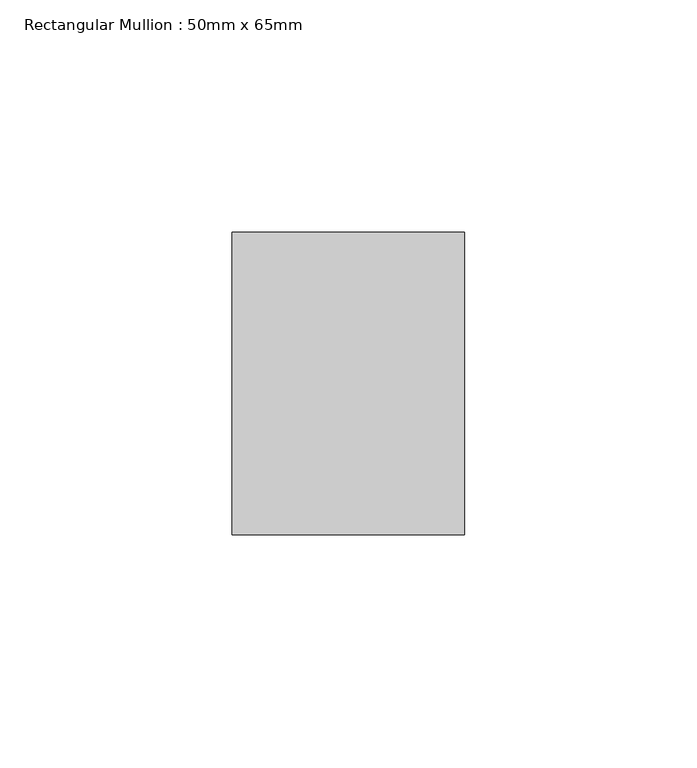
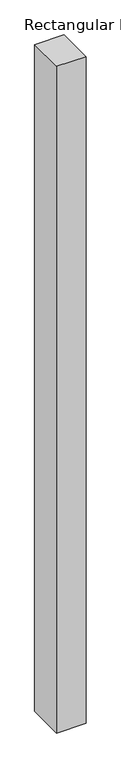
"""IFC4 building model written with IfcOpenShell, lengths in millimetres: member geometry, Rectangular Mullion : 50mm x 65mm."""

from ifc_helpers import new_model, si_unit, frame, origin, place, context, project, spatial, polyline, outline, extrude, source, transform, mapped, element, save


def rectangular_mullion_50mm_x_65mm_e2c6d646(model_context):
    return source(origin(), model_context, "Body", "SweptSolid", [
        extrude(outline(polyline([(25.0, 32.5), (25.0, -32.5), (-25.0, -32.5), (-25.0, 32.5), (25.0, 32.5)])), frame((0.0, 0.0, -1205.1795682), z_axis=(0.0, 0.0, 1.0), x_axis=(1.0, 0.0, 0.0)), (0.0, 0.0, 1.0), 1205.1795682),
    ])


if __name__ == "__main__":
    model = new_model("IFC4")
    model_context = context("Model", 3, world=origin())
    ifc_project = project(units=[si_unit("LENGTHUNIT", "METRE", prefix="MILLI")], contexts=[model_context])
    site = spatial("IfcSite", under=ifc_project)
    building = spatial("IfcBuilding", under=site)
    placement = place(None, origin())
    rectangular_mullion_50mm_x_65mm_shape = rectangular_mullion_50mm_x_65mm_e2c6d646(model_context)
    element("IfcMember", 1, ObjectType="Rectangular Mullion : 50mm x 65mm", at=placement, inside=building, context=model_context, shape_type="MappedRepresentation", body=[
        mapped(rectangular_mullion_50mm_x_65mm_shape, transform((0.0, 0.0, 0.0), x_axis=(1.0, 0.0, 0.0), y_axis=(0.0, 1.0, 0.0), z_axis=(0.0, 0.0, 1.0))),
    ])
    save(model, "model.ifc")
